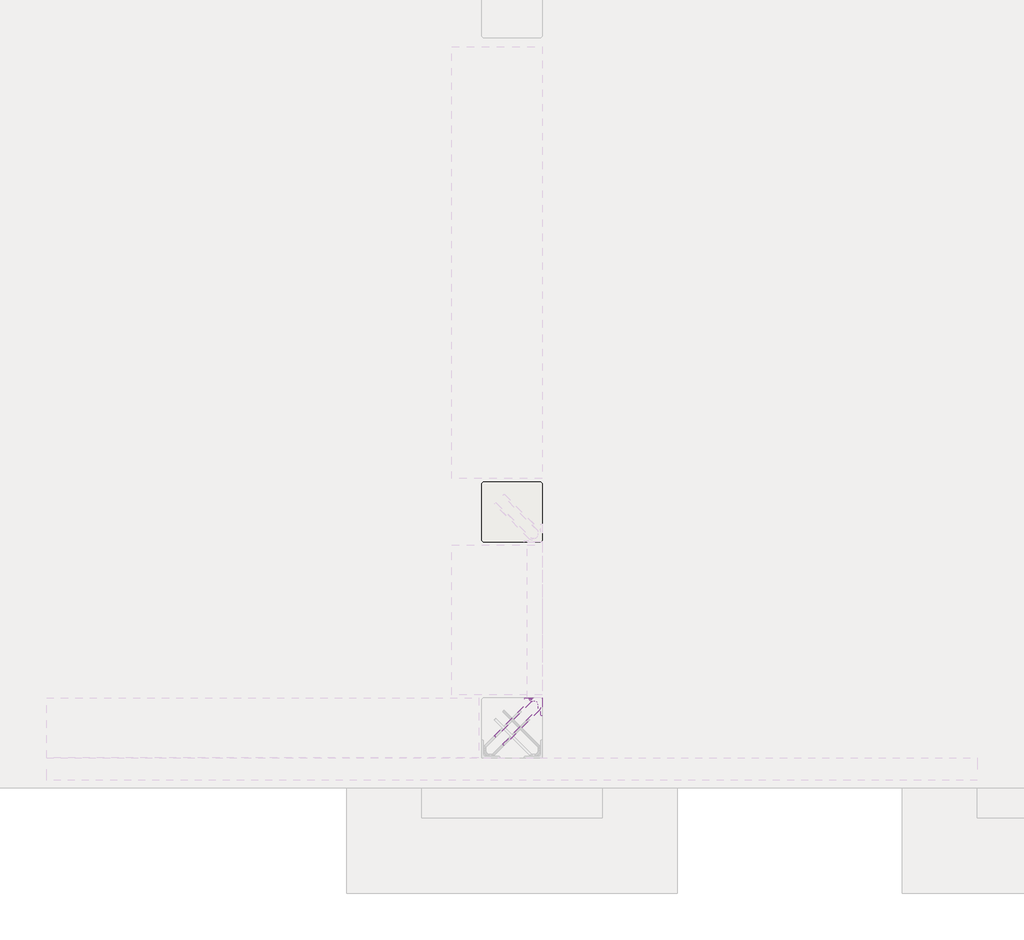
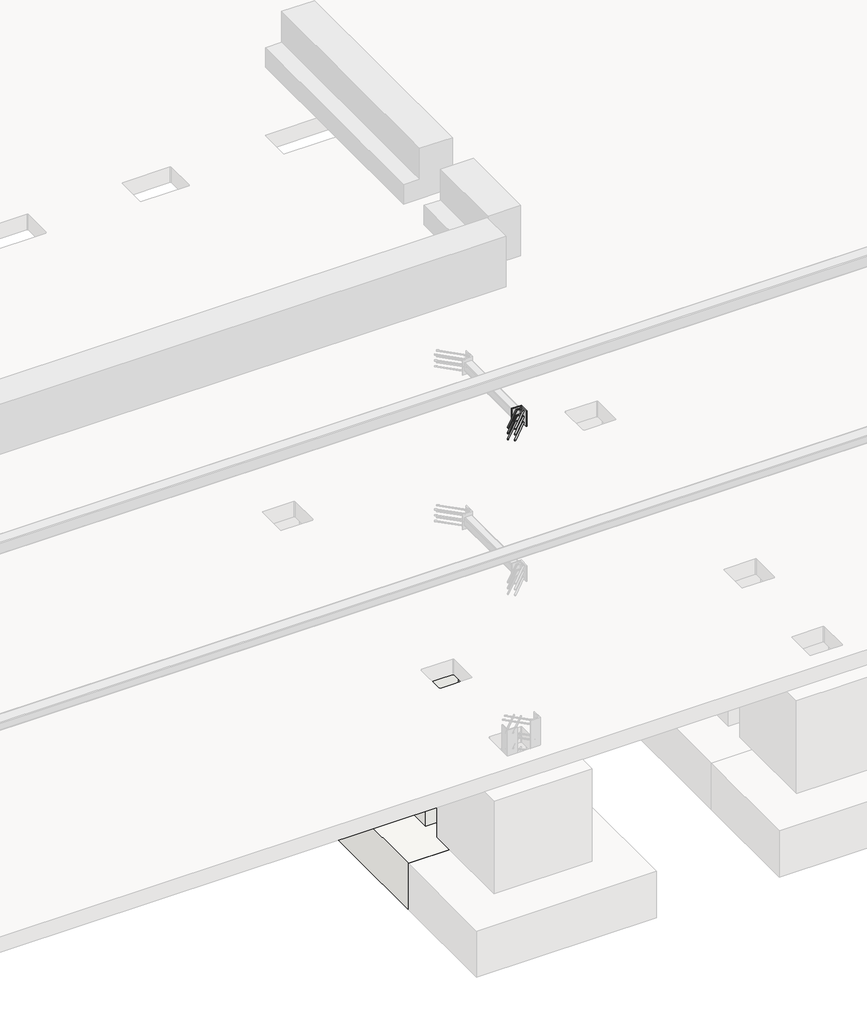
# One storey, part 18 of 65: 1 fastener, 1 slab.
"""IFC4 building model written with IfcOpenShell, lengths in millimetres."""

from ifc_helpers import new_model, si_unit, point, frame, frame_2d, origin, place, context, project, spatial, polyline, circle_curve, ellipse_curve, trimmed, segment, composite_curve, outline, extrude, faceted_brep, element, save
from ifc_brep_helpers import plane_surface, cylinder_surface, revolved_surface, advanced_brep

model = new_model("IFC4")

# Units and contexts
model_context = context("Model", 3, world=origin())
ifc_project = project(units=[si_unit("LENGTHUNIT", "METRE", prefix="MILLI")], contexts=[model_context])

# Site, building, storey
site = spatial("IfcSite", under=ifc_project)
building = spatial("IfcBuilding", under=site)
storey = spatial("IfcBuildingStorey", under=building, Elevation=0.0)

# Fastener
placement = place(None, origin())
element("IfcFastener", 1, at=placement, inside=storey, context=model_context, shape_type="SolidModel", body=[
    advanced_brep(
    [(35097.4623741, 9882.5628791, 3975.0), (35087.5628791, 9892.4623741, 3975.0), (35032.5628791, 9947.4623741, 3975.0), (35042.4623741, 9937.5628791, 3975.0), (35303.0, 10176.0, 3975.0), (35303.0, 10190.0, 3975.0), (35284.2132034, 10190.0, 3975.0), (35284.2132034, 10176.0, 3975.0), (35326.0, 10153.0, 3975.0), (35340.0, 10153.0, 3975.0), (35326.0, 10134.2132034, 3975.0), (35340.0, 10134.2132034, 3975.0), (35333.5563492, 10118.6568542, 3975.0), (35323.6568543, 10128.5563492, 3975.0), (35278.5563492, 10173.6568542, 3975.0), (35268.6568543, 10183.5563492, 3975.0)],
    [
        (0, 1, circle_curve(frame((35092.5126266, 9887.5126266, 3975.0), z_axis=(-0.7071067811865505, -0.7071067811865446, 0.0), x_axis=(-0.7071067811865447, 0.7071067811865506, 0.0)), 7.0)),
        (1, 0, circle_curve(frame((35092.5126266, 9887.5126266, 3975.0), z_axis=(-0.7071067811865505, -0.7071067811865446, 0.0), x_axis=(-0.7071067811865447, 0.7071067811865506, 0.0)), 7.0)),
        (2, 3, circle_curve(frame((35037.5126266, 9942.5126266, 3975.0), z_axis=(-0.7071067811865503, -0.7071067811865447, 0.0), x_axis=(0.7071067811865447, -0.7071067811865503, 0.0)), 7.0)),
        (3, 2, circle_curve(frame((35037.5126266, 9942.5126266, 3975.0), z_axis=(-0.7071067811865503, -0.7071067811865447, 0.0), x_axis=(0.7071067811865447, -0.7071067811865503, 0.0)), 7.0)),
        (4, 5, circle_curve(frame((35303.0, 10183.0, 3975.0), z_axis=(-1.0, 0.0, 0.0), x_axis=(0.0, -1.0, 0.0)), 7.0)),
        (5, 6),
        (6, 7, circle_curve(frame((35284.2132034, 10183.0, 3975.0), z_axis=(1.0, 0.0, 0.0), x_axis=(0.0, -1.0, 0.0)), 7.0)),
        (7, 4),
        (5, 4, circle_curve(frame((35303.0, 10183.0, 3975.0), z_axis=(-1.0, 0.0, 0.0), x_axis=(0.0, -1.0, 0.0)), 7.0)),
        (7, 6, circle_curve(frame((35284.2132034, 10183.0, 3975.0), z_axis=(1.0, 0.0, 0.0), x_axis=(0.0, -1.0, 0.0)), 7.0)),
        (4, 8, circle_curve(frame((35303.0, 10153.0, 3975.0), z_axis=(0.0, 0.0, -1.0), x_axis=(1.0, 0.0, 0.0)), 23.0)),
        (8, 9, circle_curve(frame((35333.0, 10153.0, 3975.0), z_axis=(0.0, 1.0, 0.0), x_axis=(-1.0, 0.0, 0.0)), 7.0)),
        (9, 5, circle_curve(frame((35303.0, 10153.0, 3975.0), z_axis=(0.0, 0.0, 1.0), x_axis=(1.0, 0.0, 0.0)), 37.0)),
        (9, 8, circle_curve(frame((35333.0, 10153.0, 3975.0), z_axis=(0.0, 1.0, 0.0), x_axis=(-1.0, 0.0, 0.0)), 7.0)),
        (10, 11, circle_curve(frame((35333.0, 10134.2132034, 3975.0), z_axis=(0.0, 1.0, 0.0), x_axis=(-1.0, 0.0, 0.0)), 7.0)),
        (11, 9),
        (8, 10),
        (11, 10, circle_curve(frame((35333.0, 10134.2132034, 3975.0), z_axis=(0.0, 1.0, 0.0), x_axis=(-1.0, 0.0, 0.0)), 7.0)),
        (0, 12),
        (12, 13, circle_curve(frame((35328.6066017, 10123.6066017, 3975.0), z_axis=(-0.7071067811865505, -0.7071067811865446, 0.0), x_axis=(-0.7071067811865447, 0.7071067811865506, 0.0)), 7.0)),
        (13, 1),
        (13, 12, circle_curve(frame((35328.6066017, 10123.6066017, 3975.0), z_axis=(-0.7071067811865505, -0.7071067811865446, 0.0), x_axis=(-0.7071067811865447, 0.7071067811865506, 0.0)), 7.0)),
        (10, 13, circle_curve(frame((35318.0, 10134.2132034, 3975.0), z_axis=(0.0, 0.0, -1.0), x_axis=(0.7071067811865445, -0.7071067811865506, 0.0)), 8.0)),
        (12, 11, circle_curve(frame((35318.0, 10134.2132034, 3975.0), z_axis=(0.0, 0.0, 1.0), x_axis=(0.7071067811865445, -0.7071067811865506, 0.0)), 22.0)),
        (14, 7, circle_curve(frame((35284.2132034, 10168.0, 3975.0), z_axis=(0.0, 0.0, -1.0), x_axis=(0.0, 1.0, 0.0)), 8.0)),
        (6, 15, circle_curve(frame((35284.2132034, 10168.0, 3975.0), z_axis=(0.0, 0.0, 1.0), x_axis=(0.0, 1.0, 0.0)), 22.0)),
        (15, 14, circle_curve(frame((35273.6066017, 10178.6066017, 3975.0), z_axis=(0.7071067811865501, 0.7071067811865449, 0.0), x_axis=(0.7071067811865449, -0.7071067811865501, 0.0)), 7.0)),
        (14, 15, circle_curve(frame((35273.6066017, 10178.6066017, 3975.0), z_axis=(0.7071067811865496, 0.7071067811865455, 0.0), x_axis=(0.7071067811865455, -0.7071067811865496, 0.0)), 7.0)),
        (15, 2),
        (3, 14),
    ],
    [
        plane_surface(frame((35092.5126266, 9887.5126266, 3975.0), z_axis=(-0.7071067811865505, -0.7071067811865446, 0.0), x_axis=(0.0, 0.0, 1.0))),
        plane_surface(frame((35037.5126266, 9942.5126266, 3975.0), z_axis=(-0.7071067811865503, -0.7071067811865447, 0.0), x_axis=(0.0, 0.0, 1.0))),
        cylinder_surface(frame((35303.0, 10183.0, 3975.0), z_axis=(1.0, 0.0, 0.0), x_axis=(0.0, -1.0, 0.0)), 7.0),
        revolved_surface(trimmed(ellipse_curve(frame((35333.0, 10153.0, 3975.0), z_axis=(0.0, -1.0, 0.0), x_axis=(-1.0, 0.0, 0.0)), 7.0, 7.0), [point((35340.0, 10153.0, 3975.0))], [point((35326.0, 10153.0, 3975.0))], True, "CARTESIAN"), (35303.0, 10153.0, 3975.0), (0.0, 0.0, 1.0)),
        revolved_surface(trimmed(ellipse_curve(frame((35333.0, 10153.0, 3975.0), z_axis=(0.0, -1.0, 0.0), x_axis=(-1.0, 0.0, 0.0)), 7.0, 7.0), [point((35326.0, 10153.0, 3975.0))], [point((35340.0, 10153.0, 3975.0))], True, "CARTESIAN"), (35303.0, 10153.0, 3975.0), (0.0, 0.0, 1.0)),
        cylinder_surface(frame((35333.0, 10134.2132034, 3975.0), z_axis=(0.0, -1.0, 0.0), x_axis=(-1.0, 0.0, 0.0)), 7.0),
        cylinder_surface(frame((35092.5126266, 9887.5126266, 3975.0), z_axis=(-0.7071067811865506, -0.7071067811865447, 0.0), x_axis=(-0.7071067811865447, 0.7071067811865506, 0.0)), 7.0),
        revolved_surface(trimmed(ellipse_curve(frame((35328.6066017, 10123.6066017, 3975.0), z_axis=(-0.7071067811865506, -0.7071067811865445, 0.0), x_axis=(-0.7071067811865445, 0.7071067811865506, 0.0)), 7.0, 7.0), [point((35333.5563492, 10118.6568542, 3975.0))], [point((35323.6568543, 10128.5563492, 3975.0))], True, "CARTESIAN"), (35318.0, 10134.2132034, 3975.0), (0.0, 0.0, 1.0)),
        revolved_surface(trimmed(ellipse_curve(frame((35328.6066017, 10123.6066017, 3975.0), z_axis=(-0.7071067811865506, -0.7071067811865445, 0.0), x_axis=(-0.7071067811865445, 0.7071067811865506, 0.0)), 7.0, 7.0), [point((35323.6568543, 10128.5563492, 3975.0))], [point((35333.5563492, 10118.6568542, 3975.0))], True, "CARTESIAN"), (35318.0, 10134.2132034, 3975.0), (0.0, 0.0, 1.0)),
        revolved_surface(trimmed(ellipse_curve(frame((35284.2132034, 10183.0, 3975.0), z_axis=(1.0, 0.0, 0.0), x_axis=(0.0, -1.0, 0.0)), 7.0, 7.0), [point((35284.2132034, 10190.0, 3975.0))], [point((35284.2132034, 10176.0, 3975.0))], True, "CARTESIAN"), (35284.2132034, 10168.0, 3975.0), (0.0, 0.0, 1.0)),
        revolved_surface(trimmed(ellipse_curve(frame((35284.2132034, 10183.0, 3975.0), z_axis=(1.0, 0.0, 0.0), x_axis=(0.0, -1.0, 0.0)), 7.0, 7.0), [point((35284.2132034, 10176.0, 3975.0))], [point((35284.2132034, 10190.0, 3975.0))], True, "CARTESIAN"), (35284.2132034, 10168.0, 3975.0), (0.0, 0.0, 1.0)),
        cylinder_surface(frame((35273.6066017, 10178.6066017, 3975.0), z_axis=(0.7071067811865503, 0.7071067811865447, 0.0), x_axis=(0.7071067811865447, -0.7071067811865503, 0.0)), 7.0),
    ],
    [
        (0, [[1, 2]]),
        (1, [[3, 4]]),
        (2, [[5, 6, 7, 8]]),
        (2, [[9, -8, 10, -6]]),
        (3, [[11, 12, 13, -5]]),
        (4, [[-13, 14, -11, -9]]),
        (5, [[15, 16, -12, 17]]),
        (5, [[18, -17, -14, -16]]),
        (6, [[-1, 19, 20, 21]]),
        (6, [[-2, -21, 22, -19]]),
        (7, [[23, -20, 24, -15]]),
        (8, [[-24, -22, -23, -18]]),
        (9, [[25, -7, 26, 27]]),
        (10, [[-26, -10, -25, 28]]),
        (11, [[-27, 29, -4, 30]]),
        (11, [[-28, -30, -3, -29]]),
    ],
),
    advanced_brep(
    [(35087.5628791, 9892.4623741, 4125.0), (35097.4623741, 9882.5628791, 4125.0), (35042.4623741, 9937.5628791, 4125.0), (35032.5628791, 9947.4623741, 4125.0), (35303.0, 10190.0, 4125.0), (35303.0, 10176.0, 4125.0), (35284.2132034, 10176.0, 4125.0), (35284.2132034, 10190.0, 4125.0), (35340.0, 10153.0, 4125.0), (35326.0, 10153.0, 4125.0), (35340.0, 10134.2132034, 4125.0), (35326.0, 10134.2132034, 4125.0), (35323.6568543, 10128.5563492, 4125.0), (35333.5563492, 10118.6568542, 4125.0), (35268.6568543, 10183.5563492, 4125.0), (35278.5563492, 10173.6568542, 4125.0)],
    [
        (0, 1, circle_curve(frame((35092.5126266, 9887.5126266, 4125.0), z_axis=(-0.7071067811865505, -0.7071067811865446, 0.0), x_axis=(0.7071067811865447, -0.7071067811865506, 0.0)), 7.0)),
        (1, 0, circle_curve(frame((35092.5126266, 9887.5126266, 4125.0), z_axis=(-0.7071067811865505, -0.7071067811865446, 0.0), x_axis=(0.7071067811865447, -0.7071067811865506, 0.0)), 7.0)),
        (2, 3, circle_curve(frame((35037.5126266, 9942.5126266, 4125.0), z_axis=(-0.7071067811865505, -0.7071067811865447, 0.0), x_axis=(-0.7071067811865447, 0.7071067811865505, 0.0)), 7.0)),
        (3, 2, circle_curve(frame((35037.5126266, 9942.5126266, 4125.0), z_axis=(-0.7071067811865505, -0.7071067811865447, 0.0), x_axis=(-0.7071067811865447, 0.7071067811865505, 0.0)), 7.0)),
        (4, 5, circle_curve(frame((35303.0, 10183.0, 4125.0), z_axis=(-1.0, 0.0, 0.0), x_axis=(0.0, 1.0, 0.0)), 7.0)),
        (5, 6),
        (6, 7, circle_curve(frame((35284.2132034, 10183.0, 4125.0), z_axis=(1.0, 0.0, 0.0), x_axis=(0.0, 1.0, 0.0)), 7.0)),
        (7, 4),
        (5, 4, circle_curve(frame((35303.0, 10183.0, 4125.0), z_axis=(-1.0, 0.0, 0.0), x_axis=(0.0, 1.0, 0.0)), 7.0)),
        (7, 6, circle_curve(frame((35284.2132034, 10183.0, 4125.0), z_axis=(1.0, 0.0, 0.0), x_axis=(0.0, 1.0, 0.0)), 7.0)),
        (4, 8, circle_curve(frame((35303.0, 10153.0, 4125.0), z_axis=(0.0, 0.0, -1.0), x_axis=(1.0, 0.0, 0.0)), 37.0)),
        (8, 9, circle_curve(frame((35333.0, 10153.0, 4125.0), z_axis=(0.0, 1.0, 0.0), x_axis=(1.0, 0.0, 0.0)), 7.0)),
        (9, 5, circle_curve(frame((35303.0, 10153.0, 4125.0), z_axis=(0.0, 0.0, 1.0), x_axis=(1.0, 0.0, 0.0)), 23.0)),
        (9, 8, circle_curve(frame((35333.0, 10153.0, 4125.0), z_axis=(0.0, 1.0, 0.0), x_axis=(1.0, 0.0, 0.0)), 7.0)),
        (10, 11, circle_curve(frame((35333.0, 10134.2132034, 4125.0), z_axis=(0.0, 1.0, 0.0), x_axis=(1.0, 0.0, 0.0)), 7.0)),
        (11, 9),
        (8, 10),
        (11, 10, circle_curve(frame((35333.0, 10134.2132034, 4125.0), z_axis=(0.0, 1.0, 0.0), x_axis=(1.0, 0.0, 0.0)), 7.0)),
        (0, 12),
        (12, 13, circle_curve(frame((35328.6066017, 10123.6066017, 4125.0), z_axis=(-0.7071067811865505, -0.7071067811865446, 0.0), x_axis=(0.7071067811865447, -0.7071067811865506, 0.0)), 7.0)),
        (13, 1),
        (13, 12, circle_curve(frame((35328.6066017, 10123.6066017, 4125.0), z_axis=(-0.7071067811865505, -0.7071067811865446, 0.0), x_axis=(0.7071067811865447, -0.7071067811865506, 0.0)), 7.0)),
        (10, 13, circle_curve(frame((35318.0, 10134.2132034, 4125.0), z_axis=(0.0, 0.0, -1.0), x_axis=(0.7071067811865445, -0.7071067811865506, 0.0)), 22.0)),
        (12, 11, circle_curve(frame((35318.0, 10134.2132034, 4125.0), z_axis=(0.0, 0.0, 1.0), x_axis=(0.7071067811865445, -0.7071067811865506, 0.0)), 8.0)),
        (14, 7, circle_curve(frame((35284.2132034, 10168.0, 4125.0), z_axis=(0.0, 0.0, -1.0), x_axis=(0.0, 1.0, 0.0)), 22.0)),
        (6, 15, circle_curve(frame((35284.2132034, 10168.0, 4125.0), z_axis=(0.0, 0.0, 1.0), x_axis=(0.0, 1.0, 0.0)), 8.0)),
        (15, 14, circle_curve(frame((35273.6066017, 10178.6066017, 4125.0), z_axis=(0.7071067811865488, 0.7071067811865462, 0.0), x_axis=(-0.7071067811865462, 0.7071067811865488, 0.0)), 7.0)),
        (14, 15, circle_curve(frame((35273.6066017, 10178.6066017, 4125.0), z_axis=(0.7071067811865496, 0.7071067811865455, 0.0), x_axis=(-0.7071067811865455, 0.7071067811865496, 0.0)), 7.0)),
        (15, 2),
        (3, 14),
    ],
    [
        plane_surface(frame((35092.5126266, 9887.5126266, 4125.0), z_axis=(-0.7071067811865505, -0.7071067811865446, 0.0), x_axis=(0.0, 0.0, -1.0))),
        plane_surface(frame((35037.5126266, 9942.5126266, 4125.0), z_axis=(-0.7071067811865505, -0.7071067811865447, 0.0), x_axis=(0.0, 0.0, -1.0))),
        cylinder_surface(frame((35303.0, 10183.0, 4125.0), z_axis=(1.0, 0.0, 0.0), x_axis=(0.0, 1.0, 0.0)), 7.0),
        revolved_surface(trimmed(ellipse_curve(frame((35333.0, 10153.0, 4125.0), z_axis=(0.0, -1.0, 0.0), x_axis=(1.0, 0.0, 0.0)), 7.0, 7.0), [point((35326.0, 10153.0, 4125.0))], [point((35340.0, 10153.0, 4125.0))], True, "CARTESIAN"), (35303.0, 10153.0, 4125.0), (0.0, 0.0, 1.0)),
        revolved_surface(trimmed(ellipse_curve(frame((35333.0, 10153.0, 4125.0), z_axis=(0.0, -1.0, 0.0), x_axis=(1.0, 0.0, 0.0)), 7.0, 7.0), [point((35340.0, 10153.0, 4125.0))], [point((35326.0, 10153.0, 4125.0))], True, "CARTESIAN"), (35303.0, 10153.0, 4125.0), (0.0, 0.0, 1.0)),
        cylinder_surface(frame((35333.0, 10134.2132034, 4125.0), z_axis=(0.0, -1.0, 0.0), x_axis=(1.0, 0.0, 0.0)), 7.0),
        cylinder_surface(frame((35092.5126266, 9887.5126266, 4125.0), z_axis=(-0.7071067811865506, -0.7071067811865447, 0.0), x_axis=(0.7071067811865447, -0.7071067811865506, 0.0)), 7.0),
        revolved_surface(trimmed(ellipse_curve(frame((35328.6066017, 10123.6066017, 4125.0), z_axis=(-0.7071067811865506, -0.7071067811865445, 0.0), x_axis=(0.7071067811865445, -0.7071067811865506, 0.0)), 7.0, 7.0), [point((35323.6568543, 10128.5563492, 4125.0))], [point((35333.5563492, 10118.6568542, 4125.0))], True, "CARTESIAN"), (35318.0, 10134.2132034, 4125.0), (0.0, 0.0, 1.0)),
        revolved_surface(trimmed(ellipse_curve(frame((35328.6066017, 10123.6066017, 4125.0), z_axis=(-0.7071067811865506, -0.7071067811865445, 0.0), x_axis=(0.7071067811865445, -0.7071067811865506, 0.0)), 7.0, 7.0), [point((35333.5563492, 10118.6568542, 4125.0))], [point((35323.6568543, 10128.5563492, 4125.0))], True, "CARTESIAN"), (35318.0, 10134.2132034, 4125.0), (0.0, 0.0, 1.0)),
        revolved_surface(trimmed(ellipse_curve(frame((35284.2132034, 10183.0, 4125.0), z_axis=(1.0, 0.0, 0.0), x_axis=(0.0, 1.0, 0.0)), 7.0, 7.0), [point((35284.2132034, 10176.0, 4125.0))], [point((35284.2132034, 10190.0, 4125.0))], True, "CARTESIAN"), (35284.2132034, 10168.0, 4125.0), (0.0, 0.0, 1.0)),
        revolved_surface(trimmed(ellipse_curve(frame((35284.2132034, 10183.0, 4125.0), z_axis=(1.0, 0.0, 0.0), x_axis=(0.0, 1.0, 0.0)), 7.0, 7.0), [point((35284.2132034, 10190.0, 4125.0))], [point((35284.2132034, 10176.0, 4125.0))], True, "CARTESIAN"), (35284.2132034, 10168.0, 4125.0), (0.0, 0.0, 1.0)),
        cylinder_surface(frame((35273.6066017, 10178.6066017, 4125.0), z_axis=(0.7071067811865505, 0.7071067811865447, 0.0), x_axis=(-0.7071067811865447, 0.7071067811865505, 0.0)), 7.0),
    ],
    [
        (0, [[1, 2]]),
        (1, [[3, 4]]),
        (2, [[5, 6, 7, 8]]),
        (2, [[9, -8, 10, -6]]),
        (3, [[11, 12, 13, -5]]),
        (4, [[-13, 14, -11, -9]]),
        (5, [[15, 16, -12, 17]]),
        (5, [[18, -17, -14, -16]]),
        (6, [[-1, 19, 20, 21]]),
        (6, [[-2, -21, 22, -19]]),
        (7, [[23, -20, 24, -15]]),
        (8, [[-24, -22, -23, -18]]),
        (9, [[25, -7, 26, 27]]),
        (10, [[-26, -10, -25, 28]]),
        (11, [[-27, 29, -4, 30]]),
        (11, [[-28, -30, -3, -29]]),
    ],
),
    advanced_brep(
    [(35087.5628791, 9892.4623741, 4050.0), (35097.4623741, 9882.5628791, 4050.0), (35042.4623741, 9937.5628791, 4050.0), (35032.5628791, 9947.4623741, 4050.0), (35303.0, 10190.0, 4050.0), (35303.0, 10176.0, 4050.0), (35284.2132034, 10176.0, 4050.0), (35284.2132034, 10190.0, 4050.0), (35340.0, 10153.0, 4050.0), (35326.0, 10153.0, 4050.0), (35340.0, 10134.2132034, 4050.0), (35326.0, 10134.2132034, 4050.0), (35323.6568543, 10128.5563492, 4050.0), (35333.5563492, 10118.6568542, 4050.0), (35268.6568543, 10183.5563492, 4050.0), (35278.5563492, 10173.6568542, 4050.0)],
    [
        (0, 1, circle_curve(frame((35092.5126266, 9887.5126266, 4050.0), z_axis=(-0.7071067811865505, -0.7071067811865446, 0.0), x_axis=(0.7071067811865446, -0.7071067811865505, 0.0)), 7.0)),
        (1, 0, circle_curve(frame((35092.5126266, 9887.5126266, 4050.0), z_axis=(-0.7071067811865505, -0.7071067811865446, 0.0), x_axis=(0.7071067811865446, -0.7071067811865505, 0.0)), 7.0)),
        (2, 3, circle_curve(frame((35037.5126266, 9942.5126266, 4050.0), z_axis=(-0.7071067811865505, -0.7071067811865447, 0.0), x_axis=(-0.7071067811865447, 0.7071067811865505, 0.0)), 7.0)),
        (3, 2, circle_curve(frame((35037.5126266, 9942.5126266, 4050.0), z_axis=(-0.7071067811865505, -0.7071067811865447, 0.0), x_axis=(-0.7071067811865447, 0.7071067811865505, 0.0)), 7.0)),
        (4, 5, circle_curve(frame((35303.0, 10183.0, 4050.0), z_axis=(-1.0, 0.0, 0.0), x_axis=(0.0, 1.0, 0.0)), 7.0)),
        (5, 6),
        (6, 7, circle_curve(frame((35284.2132034, 10183.0, 4050.0), z_axis=(1.0, 0.0, 0.0), x_axis=(0.0, 1.0, 0.0)), 7.0)),
        (7, 4),
        (5, 4, circle_curve(frame((35303.0, 10183.0, 4050.0), z_axis=(-1.0, 0.0, 0.0), x_axis=(0.0, 1.0, 0.0)), 7.0)),
        (7, 6, circle_curve(frame((35284.2132034, 10183.0, 4050.0), z_axis=(1.0, 0.0, 0.0), x_axis=(0.0, 1.0, 0.0)), 7.0)),
        (4, 8, circle_curve(frame((35303.0, 10153.0, 4050.0), z_axis=(0.0, 0.0, -1.0), x_axis=(1.0, 0.0, 0.0)), 37.0)),
        (8, 9, circle_curve(frame((35333.0, 10153.0, 4050.0), z_axis=(0.0, 1.0, 0.0), x_axis=(1.0, 0.0, 0.0)), 7.0)),
        (9, 5, circle_curve(frame((35303.0, 10153.0, 4050.0), z_axis=(0.0, 0.0, 1.0), x_axis=(1.0, 0.0, 0.0)), 23.0)),
        (9, 8, circle_curve(frame((35333.0, 10153.0, 4050.0), z_axis=(0.0, 1.0, 0.0), x_axis=(1.0, 0.0, 0.0)), 7.0)),
        (10, 11, circle_curve(frame((35333.0, 10134.2132034, 4050.0), z_axis=(0.0, 1.0, 0.0), x_axis=(1.0, 0.0, 0.0)), 7.0)),
        (11, 9),
        (8, 10),
        (11, 10, circle_curve(frame((35333.0, 10134.2132034, 4050.0), z_axis=(0.0, 1.0, 0.0), x_axis=(1.0, 0.0, 0.0)), 7.0)),
        (0, 12),
        (12, 13, circle_curve(frame((35328.6066017, 10123.6066017, 4050.0), z_axis=(-0.7071067811865505, -0.7071067811865446, 0.0), x_axis=(0.7071067811865446, -0.7071067811865505, 0.0)), 7.0)),
        (13, 1),
        (13, 12, circle_curve(frame((35328.6066017, 10123.6066017, 4050.0), z_axis=(-0.7071067811865505, -0.7071067811865446, 0.0), x_axis=(0.7071067811865446, -0.7071067811865505, 0.0)), 7.0)),
        (10, 13, circle_curve(frame((35318.0, 10134.2132034, 4050.0), z_axis=(0.0, 0.0, -1.0), x_axis=(0.7071067811865445, -0.7071067811865506, 0.0)), 22.0)),
        (12, 11, circle_curve(frame((35318.0, 10134.2132034, 4050.0), z_axis=(0.0, 0.0, 1.0), x_axis=(0.7071067811865445, -0.7071067811865506, 0.0)), 8.0)),
        (14, 7, circle_curve(frame((35284.2132034, 10168.0, 4050.0), z_axis=(0.0, 0.0, -1.0), x_axis=(0.0, 1.0, 0.0)), 22.0)),
        (6, 15, circle_curve(frame((35284.2132034, 10168.0, 4050.0), z_axis=(0.0, 0.0, 1.0), x_axis=(0.0, 1.0, 0.0)), 8.0)),
        (15, 14, circle_curve(frame((35273.6066017, 10178.6066017, 4050.0), z_axis=(0.7071067811865502, 0.7071067811865448, 0.0), x_axis=(-0.7071067811865448, 0.7071067811865502, 0.0)), 7.0)),
        (14, 15, circle_curve(frame((35273.6066017, 10178.6066017, 4050.0), z_axis=(0.7071067811865501, 0.7071067811865449, 0.0), x_axis=(-0.7071067811865449, 0.7071067811865501, 0.0)), 7.0)),
        (15, 2),
        (3, 14),
    ],
    [
        plane_surface(frame((35092.5126266, 9887.5126266, 4050.0), z_axis=(-0.7071067811865505, -0.7071067811865446, 0.0), x_axis=(0.0, 0.0, -1.0))),
        plane_surface(frame((35037.5126266, 9942.5126266, 4050.0), z_axis=(-0.7071067811865503, -0.7071067811865448, 0.0), x_axis=(0.0, 0.0, -1.0))),
        cylinder_surface(frame((35303.0, 10183.0, 4050.0), z_axis=(1.0, 0.0, 0.0), x_axis=(0.0, 1.0, 0.0)), 7.0),
        revolved_surface(trimmed(ellipse_curve(frame((35333.0, 10153.0, 4050.0), z_axis=(0.0, -1.0, 0.0), x_axis=(1.0, 0.0, 0.0)), 7.0, 7.0), [point((35326.0, 10153.0, 4050.0))], [point((35340.0, 10153.0, 4050.0))], True, "CARTESIAN"), (35303.0, 10153.0, 4050.0), (0.0, 0.0, 1.0)),
        revolved_surface(trimmed(ellipse_curve(frame((35333.0, 10153.0, 4050.0), z_axis=(0.0, -1.0, 0.0), x_axis=(1.0, 0.0, 0.0)), 7.0, 7.0), [point((35340.0, 10153.0, 4050.0))], [point((35326.0, 10153.0, 4050.0))], True, "CARTESIAN"), (35303.0, 10153.0, 4050.0), (0.0, 0.0, 1.0)),
        cylinder_surface(frame((35333.0, 10134.2132034, 4050.0), z_axis=(0.0, -1.0, 0.0), x_axis=(1.0, 0.0, 0.0)), 7.0),
        cylinder_surface(frame((35092.5126266, 9887.5126266, 4050.0), z_axis=(-0.7071067811865505, -0.7071067811865446, 0.0), x_axis=(0.7071067811865446, -0.7071067811865505, 0.0)), 7.0),
        revolved_surface(trimmed(ellipse_curve(frame((35328.6066017, 10123.6066017, 4050.0), z_axis=(-0.7071067811865507, -0.7071067811865444, 0.0), x_axis=(0.7071067811865444, -0.7071067811865507, 0.0)), 7.0, 7.0), [point((35323.6568543, 10128.5563492, 4050.0))], [point((35333.5563492, 10118.6568542, 4050.0))], True, "CARTESIAN"), (35318.0, 10134.2132034, 4050.0), (0.0, 0.0, 1.0)),
        revolved_surface(trimmed(ellipse_curve(frame((35328.6066017, 10123.6066017, 4050.0), z_axis=(-0.7071067811865507, -0.7071067811865444, 0.0), x_axis=(0.7071067811865444, -0.7071067811865507, 0.0)), 7.0, 7.0), [point((35333.5563492, 10118.6568542, 4050.0))], [point((35323.6568543, 10128.5563492, 4050.0))], True, "CARTESIAN"), (35318.0, 10134.2132034, 4050.0), (0.0, 0.0, 1.0)),
        revolved_surface(trimmed(ellipse_curve(frame((35284.2132034, 10183.0, 4050.0), z_axis=(1.0, 0.0, 0.0), x_axis=(0.0, 1.0, 0.0)), 7.0, 7.0), [point((35284.2132034, 10176.0, 4050.0))], [point((35284.2132034, 10190.0, 4050.0))], True, "CARTESIAN"), (35284.2132034, 10168.0, 4050.0), (0.0, 0.0, 1.0)),
        revolved_surface(trimmed(ellipse_curve(frame((35284.2132034, 10183.0, 4050.0), z_axis=(1.0, 0.0, 0.0), x_axis=(0.0, 1.0, 0.0)), 7.0, 7.0), [point((35284.2132034, 10190.0, 4050.0))], [point((35284.2132034, 10176.0, 4050.0))], True, "CARTESIAN"), (35284.2132034, 10168.0, 4050.0), (0.0, 0.0, 1.0)),
        cylinder_surface(frame((35273.6066017, 10178.6066017, 4050.0), z_axis=(0.7071067811865505, 0.7071067811865447, 0.0), x_axis=(-0.7071067811865447, 0.7071067811865505, 0.0)), 7.0),
    ],
    [
        (0, [[1, 2]]),
        (1, [[3, 4]]),
        (2, [[5, 6, 7, 8]]),
        (2, [[9, -8, 10, -6]]),
        (3, [[11, 12, 13, -5]]),
        (4, [[-13, 14, -11, -9]]),
        (5, [[15, 16, -12, 17]]),
        (5, [[18, -17, -14, -16]]),
        (6, [[-1, 19, 20, 21]]),
        (6, [[-2, -21, 22, -19]]),
        (7, [[23, -20, 24, -15]]),
        (8, [[-24, -22, -23, -18]]),
        (9, [[25, -7, 26, 27]]),
        (10, [[-26, -10, -25, 28]]),
        (11, [[-27, 29, -4, 30]]),
        (11, [[-28, -30, -3, -29]]),
    ],
),
    extrude(outline(composite_curve([segment(polyline([(35350.0, 10200.0), (35350.0, 10080.0), (35346.5, 10080.0)]), True, "CONTINUOUS"), segment(trimmed(circle_curve(frame_2d((35346.5, 10086.5)), 6.5), [point((35346.5, 10080.0))], [point((35340.0, 10086.5))], False, "CARTESIAN"), True, "CONTINUOUS"), segment(polyline([(35340.0, 10086.5), (35340.0, 10177.0)]), True, "CONTINUOUS"), segment(trimmed(circle_curve(frame_2d((35327.0, 10177.0)), 13.0), [point((35340.0, 10177.0))], [point((35327.0, 10190.0))], True, "CARTESIAN"), True, "CONTINUOUS"), segment(polyline([(35327.0, 10190.0), (35236.5, 10190.0)]), True, "CONTINUOUS"), segment(trimmed(circle_curve(frame_2d((35236.5, 10196.5)), 6.5), [point((35236.5, 10190.0))], [point((35230.0, 10196.5))], False, "CARTESIAN"), True, "CONTINUOUS"), segment(polyline([(35230.0, 10196.5), (35230.0, 10200.0), (35350.0, 10200.0)]), True, "CONTINUOUS")], self_intersect=False)), frame((0.0, 0.0, 3950.0), z_axis=(0.0, 0.0, 1.0), x_axis=(1.0, 0.0, 0.0)), (0.0, 0.0, 1.0), 200.0),
])

# Slab
element("IfcSlab", 2, ObjectType="F2.2x2.2x0.6m P1.2x1.2x1.2m", at=placement, inside=storey, context=model_context, shape_type="Brep", body=[
    faceted_brep([(34050.0, 10340.0, -2000.0), (36250.0, 10340.0, -2000.0), (36250.0, 10340.0, -1400.0), (35750.0, 10340.0, -1400.0), (34550.0, 10340.0, -1400.0), (34050.0, 10340.0, -1400.0), (34050.0, 12540.0, -1400.0), (36250.0, 12540.0, -1400.0), (34550.0, 12040.0, -1400.0), (35750.0, 12040.0, -1400.0), (35750.0, 10840.0, -1400.0), (34550.0, 10840.0, -1400.0), (34550.0, 12040.0, -200.0), (35750.0, 12040.0, -200.0), (34875.0, 11715.0, -1400.0), (34875.0, 11165.0, -1400.0), (35425.0, 11165.0, -1400.0), (35425.0, 11715.0, -1400.0), (34550.0, 10840.0, -200.0), (35750.0, 10840.0, -200.0), (34800.0, 11090.0, -200.0), (34800.0, 11790.0, -200.0), (35500.0, 11790.0, -200.0), (35500.0, 11090.0, -200.0), (34050.0, 12540.0, -2000.0), (36250.0, 12540.0, -2000.0)], [[[0, 1, 2, 3, 4, 5]], [[6, 5, 4, 3, 2, 7], [8, 9, 10, 11]], [[9, 8, 12, 13]], [[14, 15, 16, 17]], [[13, 12, 18, 19], [20, 21, 22, 23]], [[24, 25, 1, 0]], [[24, 0, 5, 6]], [[1, 25, 7, 2]], [[25, 24, 6, 7]], [[10, 9, 13, 19]], [[11, 10, 19, 18]], [[8, 11, 18, 12]], [[15, 14, 21, 20]], [[16, 15, 20, 23]], [[17, 16, 23, 22]], [[14, 17, 22, 21]]]),
])

save(model, "model.ifc")
